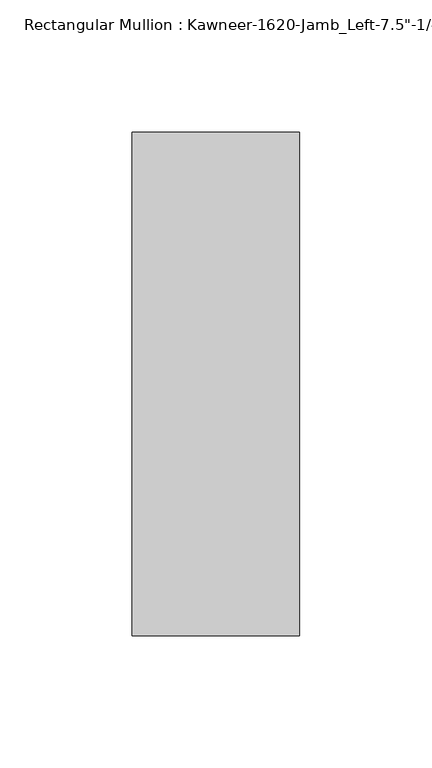
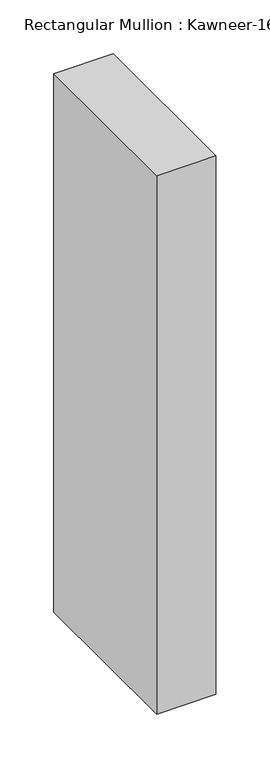
"""IFC4 building model written with IfcOpenShell, lengths in millimetres: member geometry."""

from ifc_helpers import new_model, si_unit, frame, origin, place, context, project, spatial, polyline, outline, extrude, source, transform, mapped, element, save


def member_55602b76(model_context):
    return source(origin(), model_context, "Body", "SweptSolid", [
        extrude(outline(polyline([(-63.5, 28.575), (0.0, 28.575), (0.0, -161.925), (-63.5, -161.925), (-63.5, 28.575)])), frame((0.0, 0.0, -609.6), z_axis=(0.0, 0.0, 1.0), x_axis=(1.0, 0.0, 0.0)), (0.0, 0.0, 1.0), 609.6),
    ])


if __name__ == "__main__":
    model = new_model("IFC4")
    model_context = context("Model", 3, world=origin())
    ifc_project = project(units=[si_unit("LENGTHUNIT", "METRE", prefix="MILLI")], contexts=[model_context])
    site = spatial("IfcSite", under=ifc_project)
    building = spatial("IfcBuilding", under=site)
    placement = place(None, origin())
    member_shape = member_55602b76(model_context)
    element("IfcMember", 1, ObjectType="Rectangular Mullion : Kawneer-1620-Jamb_Left-7.5\"-1/4\"Infill", at=placement, inside=building, context=model_context, shape_type="MappedRepresentation", body=[
        mapped(member_shape, transform((0.0, 0.0, 0.0), x_axis=(1.0, 0.0, 0.0), y_axis=(0.0, 1.0, 0.0), z_axis=(0.0, 0.0, 1.0))),
    ])
    save(model, "model.ifc")
